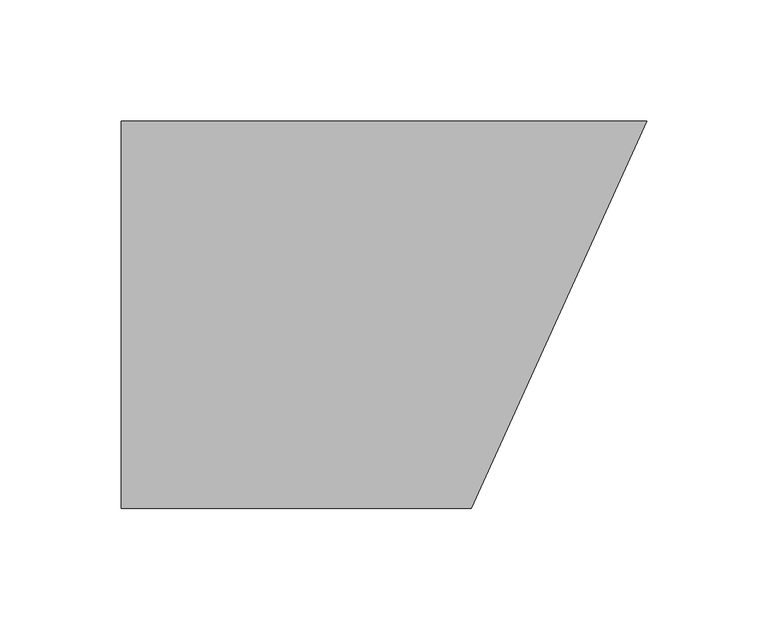
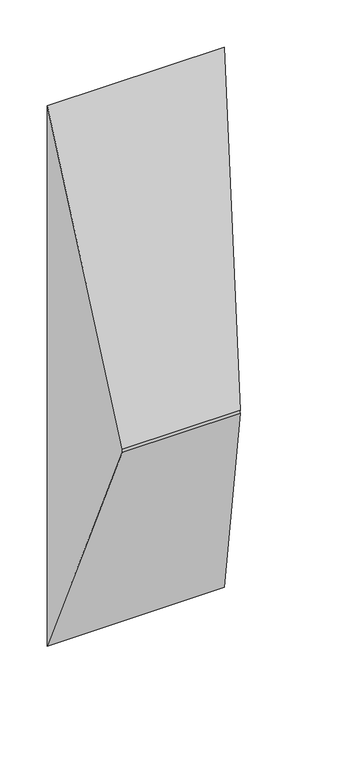
"""IFC4 building model written with IfcOpenShell, lengths in millimetres: proxy geometry."""

from ifc_helpers import new_model, si_unit, origin, place, context, project, spatial, faceted_brep, source, transform, mapped, element, save


def generic_models_bc81543d(model_context):
    return source(origin(), model_context, "Body", "Brep", [
        faceted_brep([(144.0, -160.0, 350.0), (144.4171429, -160.0, 352.0), (0.0, -160.0, 352.0), (0.0, -160.0, 348.0), (144.4171429, -160.0, 348.0), (144.0, 0.0, 350.0), (217.0, 0.0, 0.0), (0.0, 0.0, 0.0), (0.0, 0.0, 700.0), (217.0, 0.0, 700.0)], [[[0, 1, 2, 3, 4]], [[5, 6, 7, 8, 9]], [[5, 9, 1, 0]], [[9, 8, 2, 1]], [[8, 7, 3, 2]], [[7, 6, 4, 3]], [[6, 5, 0, 4]]]),
    ])


if __name__ == "__main__":
    model = new_model("IFC4")
    model_context = context("Model", 3, world=origin())
    ifc_project = project(units=[si_unit("LENGTHUNIT", "METRE", prefix="MILLI")], contexts=[model_context])
    site = spatial("IfcSite", under=ifc_project)
    building = spatial("IfcBuilding", under=site)
    placement = place(None, origin())
    generic_models_shape = generic_models_bc81543d(model_context)
    element("IfcBuildingElementProxy", 1, Name="Generic Models", at=placement, inside=building, context=model_context, shape_type="MappedRepresentation", body=[
        mapped(generic_models_shape, transform((0.0, 0.0, 0.0), x_axis=(1.0, 0.0, 0.0), y_axis=(0.0, 1.0, 0.0), z_axis=(0.0, 0.0, 1.0))),
    ])
    save(model, "model.ifc")
